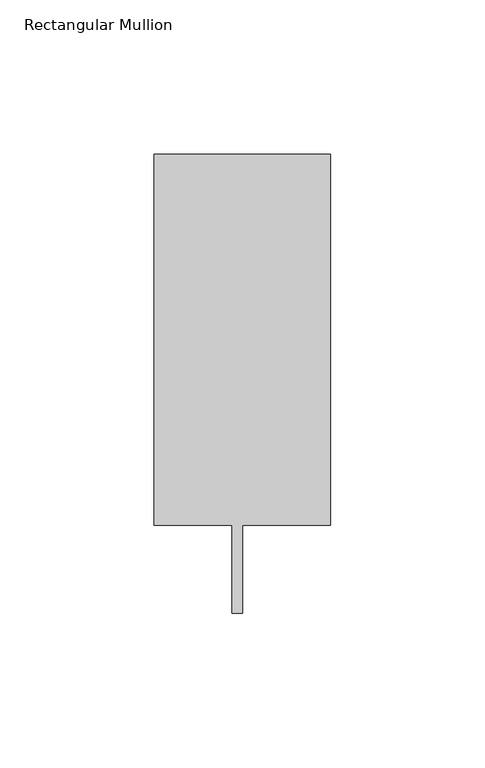
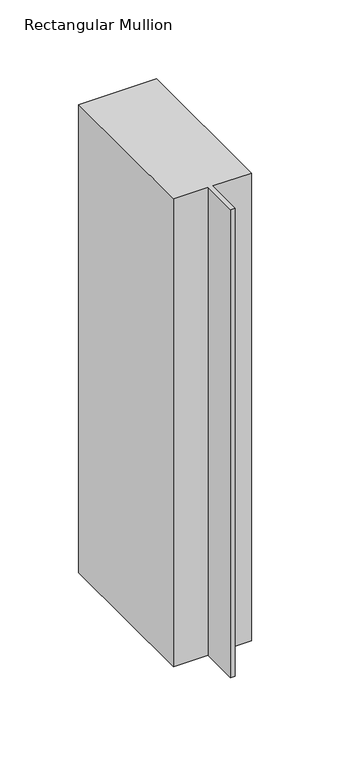
"""IFC4 building model written with IfcOpenShell, lengths in millimetres: member geometry, Rectangular Mullion."""

from ifc_helpers import new_model, si_unit, frame, origin, place, context, project, spatial, polyline, outline, extrude, source, transform, mapped, element, save


def rectangular_mullion_199d4b70(model_context):
    return source(origin(), model_context, "Body", "SweptSolid", [
        extrude(outline(polyline([(-57.15, 151.892), (0.0, 151.892), (0.0, 31.75), (-28.575, 31.75), (-28.575, 3.1495791), (-31.877, 3.1495791), (-31.877, 31.75), (-57.15, 31.75), (-57.15, 151.892)])), frame((0.0, 0.0, -361.91825), z_axis=(0.0, 0.0, 1.0), x_axis=(1.0, 0.0, 0.0)), (0.0, 0.0, 1.0), 361.91825),
    ])


if __name__ == "__main__":
    model = new_model("IFC4")
    model_context = context("Model", 3, world=origin())
    ifc_project = project(units=[si_unit("LENGTHUNIT", "METRE", prefix="MILLI")], contexts=[model_context])
    site = spatial("IfcSite", under=ifc_project)
    building = spatial("IfcBuilding", under=site)
    placement = place(None, origin())
    rectangular_mullion_shape = rectangular_mullion_199d4b70(model_context)
    element("IfcMember", 1, ObjectType="Rectangular Mullion", at=placement, inside=building, context=model_context, shape_type="MappedRepresentation", body=[
        mapped(rectangular_mullion_shape, transform((0.0, 0.0, 0.0), x_axis=(1.0, 0.0, 0.0), y_axis=(0.0, 1.0, 0.0), z_axis=(0.0, 0.0, 1.0))),
    ])
    save(model, "model.ifc")
